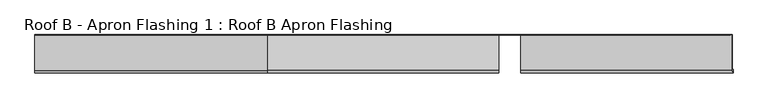
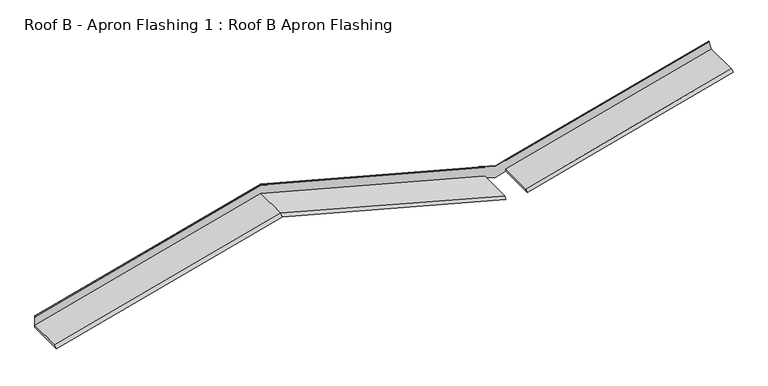
"""IFC4 building model written with IfcOpenShell, lengths in millimetres: proxy geometry, Roof B - Apron Flashing 1 : Roof B Apron Flashing."""

from ifc_helpers import new_model, si_unit, frame, origin, place, context, project, spatial, circle_curve, ellipse_curve, source, transform, mapped, element, save
from ifc_brep_helpers import plane_surface, cylinder_surface, advanced_brep


def roof_b_apron_flashing_1_roof_b_apron_flashing_a3d884f8(model_context):
    return source(origin(), model_context, "Body", "AdvancedBrep", [
        advanced_brep(
        [(7217.9826273, -488.4050751, 3936.6815328), (7224.9707415, -515.4050751, 3910.6015355), (7224.9707415, -477.4175022, 3910.6015355), (7218.2382213, -477.4175022, 3935.7276429), (7218.2382213, -85.5, 3935.7276429), (7189.8139585, -85.5, 4041.808436), (7189.7201206, -86.7239884, 4042.1586439), (7191.2306039, -90.5139698, 4036.5214433), (7191.3715669, -89.6752992, 4035.9953624), (7190.1060629, -86.5, 4040.7182876), (7217.9826273, -86.5, 3936.6815328), (2000.0, -488.4050751, 3993.4914166), (2000.0, -515.4050751, 3965.5389597), (4592.292347, -515.4050751, 3270.9363188), (4592.292347, -488.4050751, 3298.8887757), (2000.0, -85.5, 3965.5389597), (4715.0, -85.5, 3238.0569023), (4715.0, -86.5, 3238.0569023), (4592.292347, -86.5, 3270.9363188), (2000.0, -86.7239884, 4106.5414436), (2000.0, -90.5139698, 4100.4995101), (4592.292347, -90.5139698, 3405.8968692), (4592.292347, -86.7239884, 3411.9388026), (2000.0, -86.5, 3993.4914166), (4592.292347, -86.5, 3298.8887757), (-617.8589424, -515.4050751, 3264.0857702), (-617.8589424, -85.5, 3264.0857702), (-617.8589424, -86.7239884, 3405.0882541), (-617.8589424, -90.5139698, 3399.0463206), (-617.8589424, -86.5, 3292.0382271), (-617.8589424, -488.4050751, 3292.0382271), (4837.292347, -488.4050751, 3298.7774948), (4837.292347, -515.4050751, 3270.8250379), (4837.292347, -86.5, 3270.8250379), (4898.525907, -85.5, 3287.2325209), (4898.525907, -477.4175022, 3287.2325209), (-617.8589424, -85.5, 3404.7129024), (2000.0, -85.5, 4106.1660919), (4715.0, -85.5, 3378.6840344), (4898.525907, -85.5, 3314.1626016), (4837.292347, -86.7239884, 3411.8275217), (4837.292347, -90.5139698, 3405.7855883), (4837.292347, -86.5, 3410.2837525), (4837.292347, -86.5, 3412.0481369), (4715.0, -86.5, 3379.2800012), (4592.292347, -86.5, 3412.1594178), (4592.292347, -86.5, 3410.3950334), (2000.0, -86.5, 4104.9976743), (-617.8589424, -86.5, 3403.5444848), (4837.292347, -86.5, 3298.7774948), (4837.292347, -89.6752992, 3405.2217365), (2000.0, -89.6752992, 4099.9356583), (4592.292347, -89.6752992, 3405.3330174), (-617.8589424, -89.6752992, 3398.4824688), (4898.525907, -477.4175022, 3314.1626016)],
        [
            (0, 1),
            (1, 2),
            (2, 3),
            (3, 4),
            (4, 5),
            (5, 6, circle_curve(frame((7189.8139585, -86.1656921, 4041.808436), z_axis=(0.9659258262890694, 0.0, 0.2588190451025169), x_axis=(-0.2588190451025169, 0.0, 0.9659258262890694)), 0.6656921)),
            (6, 7),
            (7, 8, circle_curve(frame((7191.3010854, -90.0946345, 4036.2584028), z_axis=(0.9659258262890694, 0.0, 0.2588190451025169), x_axis=(-0.2588190451025169, 0.0, 0.9659258262890694)), 0.5)),
            (8, 9),
            (9, 10),
            (10, 0),
            (11, 12),
            (12, 13),
            (13, 14),
            (14, 11),
            (12, 15),
            (15, 16),
            (16, 17),
            (17, 18),
            (18, 13),
            (19, 20),
            (20, 21),
            (21, 22),
            (22, 19),
            (23, 11),
            (14, 24),
            (24, 23),
            (12, 25),
            (25, 26),
            (26, 15),
            (19, 27),
            (27, 28),
            (28, 20),
            (23, 29),
            (29, 30),
            (30, 11),
            (0, 31),
            (31, 32),
            (32, 1),
            (32, 33),
            (33, 17),
            (16, 34),
            (34, 35),
            (35, 2),
            (26, 36),
            (36, 37),
            (37, 38),
            (38, 5),
            (4, 39),
            (39, 34),
            (6, 40),
            (40, 41),
            (41, 7),
            (9, 42),
            (42, 43),
            (43, 44),
            (44, 45),
            (45, 46),
            (46, 47),
            (47, 48),
            (48, 29),
            (24, 18),
            (33, 49),
            (49, 10),
            (49, 31),
            (38, 44, ellipse_curve(frame((4715.0, -86.1656921, 3378.6840344), z_axis=(1.0, 0.0, 0.0), x_axis=(0.0, 0.0, 1.0)), 0.6891751, 0.6656921)),
            (43, 40, ellipse_curve(frame((4837.292347, -86.1656921, 3411.4521701), z_axis=(1.0, 0.0, 0.0), x_axis=(0.0, 0.0, 1.0)), 0.6891751, 0.6656921)),
            (41, 50, ellipse_curve(frame((4837.292347, -90.0946345, 3405.5036624), z_axis=(1.0, 0.0, 0.0), x_axis=(0.0, 0.0, 1.0)), 0.5176381, 0.5)),
            (50, 8),
            (50, 42),
            (37, 19, ellipse_curve(frame((2000.0, -86.1656921, 4106.1660919), z_axis=(1.0, 0.0, 0.0), x_axis=(0.0, 0.0, -1.0)), 0.6891751, 0.6656921)),
            (22, 45, ellipse_curve(frame((4592.292347, -86.1656921, 3411.563451), z_axis=(-1.0, 0.0, 0.0), x_axis=(0.0, 0.0, -1.0)), 0.6891751, 0.6656921)),
            (20, 51, ellipse_curve(frame((2000.0, -90.0946345, 4100.2175842), z_axis=(1.0, 0.0, 0.0), x_axis=(0.0, 0.0, -1.0)), 0.5176381, 0.5)),
            (51, 52),
            (52, 21, ellipse_curve(frame((4592.292347, -90.0946345, 3405.6149433), z_axis=(-1.0, 0.0, 0.0), x_axis=(0.0, 0.0, -1.0)), 0.5176381, 0.5)),
            (51, 47),
            (46, 52),
            (36, 27, ellipse_curve(frame((-617.8589424, -86.1656921, 3404.7129024), z_axis=(1.0, 0.0, 0.0), x_axis=(0.0, 0.0, 1.0)), 0.6891751, 0.6656921)),
            (28, 53, ellipse_curve(frame((-617.8589424, -90.0946345, 3398.7643947), z_axis=(1.0, 0.0, 0.0), x_axis=(0.0, 0.0, 1.0)), 0.5176381, 0.5)),
            (53, 51),
            (53, 48),
            (30, 25),
            (35, 54),
            (54, 3),
            (54, 39),
        ],
        [
            plane_surface(frame((7245.7256649, -95.0, 3833.1431071), z_axis=(0.9659258262890694, 0.0, 0.2588190451025169), x_axis=(0.0, 1.0, 0.0))),
            plane_surface(frame((4715.0, -488.4050751, 3266.0093592), z_axis=(0.18301270189221883, -0.7071067811865478, 0.6830127018922193), x_axis=(-0.9659258262890684, 0.0, 0.2588190451025201))),
            plane_surface(frame((4715.0, -515.4050751, 3238.0569023), z_axis=(-0.2588190451025201, 0.0, -0.9659258262890684), x_axis=(-0.9659258262890684, 0.0, 0.2588190451025201))),
            plane_surface(frame((4715.0, -86.7239884, 3379.0593861), z_axis=(0.14096295496814815, -0.838670567945422, 0.5260809099261741), x_axis=(-0.9659258262890685, 0.0, 0.2588190451025201))),
            plane_surface(frame((4715.0, -86.5, 3266.0093592), z_axis=(0.2588190451025201, 0.0, 0.9659258262890684), x_axis=(-0.9659258262890684, 0.0, 0.2588190451025201))),
            plane_surface(frame((2000.0, -515.4050751, 3965.5389597), z_axis=(0.25881904510251996, 0.0, -0.9659258262890685), x_axis=(-0.9659258262890685, 0.0, -0.25881904510251996))),
            plane_surface(frame((2000.0, -86.7239884, 4106.5414436), z_axis=(-0.1409629549681481, -0.8386705679454222, 0.526080909926174), x_axis=(-0.9659258262890685, 0.0, -0.25881904510252))),
            plane_surface(frame((2000.0, -86.5, 3993.4914166), z_axis=(-0.2588190451025201, 0.0, 0.9659258262890684), x_axis=(-0.9659258262890684, 0.0, -0.2588190451025201))),
            plane_surface(frame((7217.9826273, -488.4050751, 3936.6815328), z_axis=(-0.18301270189221663, -0.7071067811865478, 0.6830127018922197), x_axis=(-0.9659258262890693, 0.0, -0.258819045102517))),
            plane_surface(frame((7224.9707415, -515.4050751, 3910.6015355), z_axis=(0.2588190451025171, 0.0, -0.9659258262890693), x_axis=(-0.9659258262890693, 0.0, -0.2588190451025171))),
            plane_surface(frame((7224.9707415, -85.5, 3910.6015355), z_axis=(0.0, 1.0, 0.0), x_axis=(-0.9659258262890693, 0.0, -0.2588190451025171))),
            plane_surface(frame((7189.7201206, -86.7239884, 4042.1586439), z_axis=(-0.1409629549681465, -0.8386705679454222, 0.5260809099261744), x_axis=(-0.9659258262890693, 0.0, -0.25881904510251713))),
            plane_surface(frame((7190.1060629, -86.5, 4040.7182876), z_axis=(0.0, -1.0, 0.0), x_axis=(-0.9659258262890693, 0.0, -0.258819045102517))),
            plane_surface(frame((7217.9826273, -86.5, 3936.6815328), z_axis=(-0.2588190451025169, 0.0, 0.9659258262890694), x_axis=(-0.9659258262890694, 0.0, -0.2588190451025169))),
            cylinder_surface(frame((7189.8139585, -86.1656921, 4041.808436), z_axis=(0.9659258262890694, 0.0, 0.2588190451025169), x_axis=(-0.2588190451025169, 0.0, 0.9659258262890694)), 0.6656921),
            cylinder_surface(frame((7191.3010854, -90.0946345, 4036.2584028), z_axis=(0.9659258262890694, 0.0, 0.2588190451025169), x_axis=(-0.2588190451025169, 0.0, 0.9659258262890694)), 0.5),
            plane_surface(frame((7191.3715669, -89.6752992, 4035.9953624), z_axis=(0.1409629549681444, 0.8386705679454272, -0.5260809099261671), x_axis=(-0.9659258262890694, 0.0, -0.2588190451025169))),
            cylinder_surface(frame((4770.9117064, -86.1656921, 3363.7025379), z_axis=(0.9659258262890684, 0.0, -0.2588190451025201), x_axis=(0.2588190451025201, 0.0, 0.9659258262890684)), 0.6656921),
            cylinder_surface(frame((4769.4245795, -90.0946345, 3358.1525047), z_axis=(0.9659258262890684, 0.0, -0.2588190451025201), x_axis=(0.2588190451025201, 0.0, 0.9659258262890684)), 0.5),
            plane_surface(frame((4715.0, -89.6752992, 3372.4536009), z_axis=(-0.14096295496814612, 0.8386705679454273, -0.5260809099261665), x_axis=(-0.9659258262890685, 0.0, 0.2588190451025201))),
            cylinder_surface(frame((1944.0882936, -86.1656921, 4091.1845953), z_axis=(0.9659258262890684, 0.0, 0.2588190451025201), x_axis=(-0.2588190451025201, 0.0, 0.9659258262890684)), 0.6656921),
            cylinder_surface(frame((1945.5754205, -90.0946345, 4085.6345621), z_axis=(0.9659258262890684, 0.0, 0.2588190451025201), x_axis=(-0.2588190451025201, 0.0, 0.9659258262890684)), 0.5),
            plane_surface(frame((2000.0, -89.6752992, 4099.9356583), z_axis=(0.1409629549681462, 0.838670567945427, -0.5260809099261665), x_axis=(-0.9659258262890684, 0.0, -0.25881904510252024))),
            plane_surface(frame((2000.0, -488.4050751, 3993.4914166), z_axis=(-0.18301270189221863, -0.7071067811865479, 0.6830127018922192), x_axis=(-0.9659258262890685, 0.0, -0.2588190451025199))),
            plane_surface(frame((4837.292347, -795.5629082, 3660.9894786), z_axis=(-1.0, 0.0, 0.0), x_axis=(0.0, 0.0, -1.0))),
            plane_surface(frame((4592.292347, -86.5, 3660.9894786), z_axis=(1.0, 0.0, 0.0), x_axis=(0.0, 0.0, -1.0))),
            plane_surface(frame((-617.8589424, -760.5629082, 3739.5229882), z_axis=(-1.0, 0.0, 0.0), x_axis=(0.0, 0.0, -1.0))),
            plane_surface(frame((4898.525907, -477.4175022, 3214.1626016), z_axis=(0.0, 1.0, 0.0), x_axis=(1.0, 0.0, 0.0))),
            plane_surface(frame((7613.525907, -477.4175022, 4041.6446591), z_axis=(0.25881904510251846, 0.0, -0.965925826289069), x_axis=(0.0, 1.0, 0.0))),
            plane_surface(frame((4898.525907, -477.4175022, 3314.1626016), z_axis=(1.0, 0.0, 0.0), x_axis=(0.0, 1.0, 0.0))),
        ],
        [
            (0, [[1, 2, 3, 4, 5, 6, 7, 8, 9, 10, 11]]),
            (1, [[12, 13, 14, 15]]),
            (2, [[16, 17, 18, 19, 20, -13]]),
            (3, [[21, 22, 23, 24]]),
            (4, [[25, -15, 26, 27]]),
            (5, [[-16, 28, 29, 30]]),
            (6, [[-21, 31, 32, 33]]),
            (7, [[-25, 34, 35, 36]]),
            (8, [[-1, 37, 38, 39]]),
            (9, [[-39, 40, 41, -18, 42, 43, 44, -2]]),
            (10, [[-17, -30, 45, 46, 47, 48, -5, 49, 50, -42]]),
            (11, [[-7, 51, 52, 53]]),
            (12, [[-10, 54, 55, 56, 57, 58, 59, 60, 61, -34, -27, 62, -19, -41, 63, 64]]),
            (13, [[-11, -64, 65, -37]]),
            (14, [[-6, -48, 66, -56, 67, -51]]),
            (15, [[-8, -53, 68, 69]]),
            (16, [[-9, -69, 70, -54]]),
            (17, [[-47, 71, -24, 72, -57, -66]]),
            (18, [[73, 74, 75, -22]]),
            (19, [[76, -59, 77, -74]]),
            (20, [[-71, -46, 78, -31]]),
            (21, [[-73, -33, 79, 80]]),
            (22, [[-76, -80, 81, -60]]),
            (23, [[-12, -36, 82, -28]]),
            (24, [[-63, -40, -38, -65]]),
            (24, [[-55, -70, -68, -52, -67]]),
            (25, [[-62, -26, -14, -20]]),
            (25, [[-58, -72, -23, -75, -77]]),
            (26, [[-29, -82, -35, -61, -81, -79, -32, -78, -45]]),
            (27, [[83, 84, -3, -44]]),
            (28, [[-84, 85, -49, -4]]),
            (29, [[-83, -43, -50, -85]]),
        ],
    ),
    ])


if __name__ == "__main__":
    model = new_model("IFC4")
    model_context = context("Model", 3, world=origin())
    ifc_project = project(units=[si_unit("LENGTHUNIT", "METRE", prefix="MILLI")], contexts=[model_context])
    site = spatial("IfcSite", under=ifc_project)
    building = spatial("IfcBuilding", under=site)
    placement = place(None, origin())
    roof_b_apron_flashing_1_roof_b_apron_flashing_shape = roof_b_apron_flashing_1_roof_b_apron_flashing_a3d884f8(model_context)
    element("IfcBuildingElementProxy", 1, Name="Roof B - Apron Flashing 1 : Roof B Apron Flashing", ObjectType="Roof B - Apron Flashing 1 : Roof B Apron Flashing", at=placement, inside=building, context=model_context, shape_type="MappedRepresentation", body=[
        mapped(roof_b_apron_flashing_1_roof_b_apron_flashing_shape, transform((0.0, 0.0, 0.0), x_axis=(1.0, 0.0, 0.0), y_axis=(0.0, 1.0, 0.0), z_axis=(0.0, 0.0, 1.0))),
    ])
    save(model, "model.ifc")
